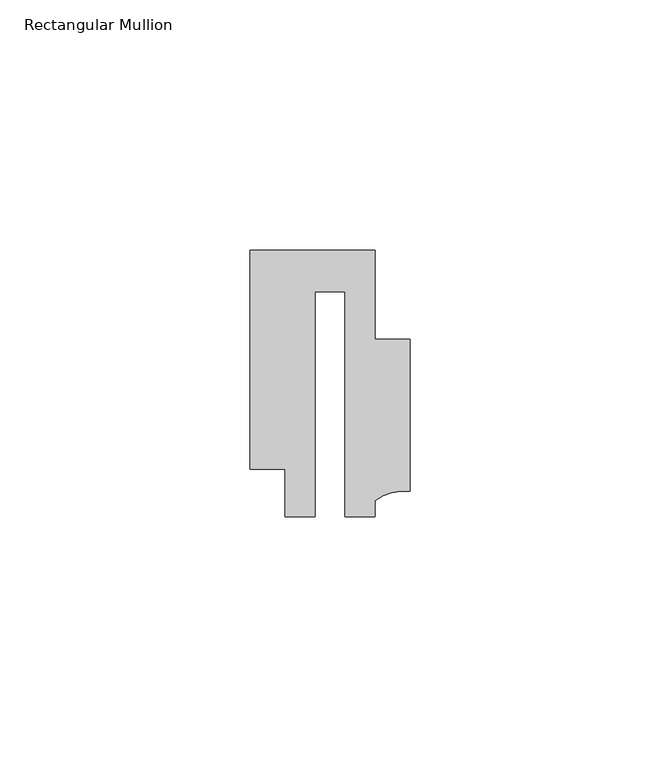
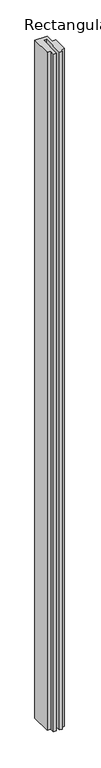
"""IFC4 building model written with IfcOpenShell, lengths in millimetres: member geometry, Rectangular Mullion."""

from ifc_helpers import new_model, si_unit, point, frame, frame_2d, origin, place, context, project, spatial, polyline, circle_curve, trimmed, segment, composite_curve, outline, extrude, source, transform, mapped, element, save


def rectangular_mullion_44e794bc(model_context):
    return source(origin(), model_context, "Body", "SweptSolid", [
        extrude(outline(composite_curve([segment(polyline([(15.9999391, 14.9953356), (15.9999391, -15.3837352)]), True, "CONTINUOUS"), segment(trimmed(circle_curve(frame_2d((15.1098019, -25.802169)), 10.4563907), [point((15.9999391, -15.3837352))], [point((8.9999842, -17.3165203))], True, "CARTESIAN"), True, "CONTINUOUS"), segment(polyline([(8.9999842, -17.3165203), (8.9999842, -20.5039877), (2.9999676, -20.5039877), (2.9999676, 24.5130805), (-2.9999659, 24.5130805), (-2.9999659, -20.5039877), (-8.9999842, -20.5039877), (-8.9999842, -11.0039877), (-15.9999391, -11.0039877), (-15.9999391, 32.7960123), (9.0, 32.7960123), (9.0, 14.9953356), (15.9999391, 14.9953356)]), True, "CONTINUOUS")], self_intersect=False)), frame((0.0, 0.0, -1457.5191127), z_axis=(0.0, 0.0, 1.0), x_axis=(1.0, 0.0, 0.0)), (0.0, 0.0, 1.0), 1457.5191127),
    ])


if __name__ == "__main__":
    model = new_model("IFC4")
    model_context = context("Model", 3, world=origin())
    ifc_project = project(units=[si_unit("LENGTHUNIT", "METRE", prefix="MILLI")], contexts=[model_context])
    site = spatial("IfcSite", under=ifc_project)
    building = spatial("IfcBuilding", under=site)
    placement = place(None, origin())
    rectangular_mullion_shape = rectangular_mullion_44e794bc(model_context)
    element("IfcMember", 1, ObjectType="Rectangular Mullion", at=placement, inside=building, context=model_context, shape_type="MappedRepresentation", body=[
        mapped(rectangular_mullion_shape, transform((0.0, 0.0, 0.0), x_axis=(1.0, 0.0, 0.0), y_axis=(0.0, 1.0, 0.0), z_axis=(0.0, 0.0, 1.0))),
    ])
    save(model, "model.ifc")
